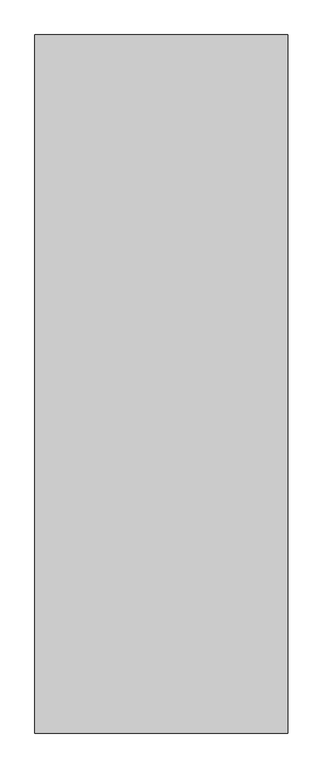
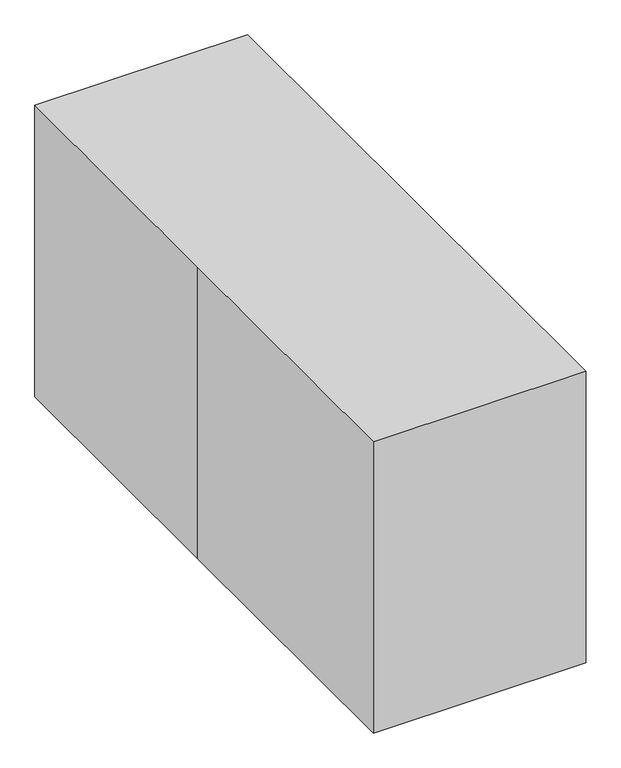
"""IFC4 building model written with IfcOpenShell, lengths in millimetres: proxy geometry."""

from ifc_helpers import new_model, si_unit, point, frame, frame_2d, origin, origin_with_axes, place, context, project, spatial, polyline, circle_curve, trimmed, segment, composite_curve, outline, extrude, faceted_brep, source, transform, mapped, element, save


def specialty_equipment_150e2ad8(model_context):
    return source(origin(), model_context, "Body", "SolidModel", [
        extrude(outline(polyline([(-330.2, -479.9831153), (-330.2, 123.2668847), (-304.8, 123.2668847), (-304.8, -479.9831153), (-330.2, -479.9831153)])), frame((0.0, 0.0, 242.5567819), z_axis=(0.0, 0.0, 1.0), x_axis=(1.0, 0.0, 0.0)), (0.0, 0.0, 1.0), 116.4234291),
        extrude(outline(polyline([(-330.2, -479.9831153), (-330.2, 123.2668847), (-304.8, 123.2668847), (-304.8, -479.9831153), (-330.2, -479.9831153)])), frame((0.0, 0.0, 378.4300401), z_axis=(0.0, 0.0, 1.0), x_axis=(1.0, 0.0, 0.0)), (0.0, 0.0, 1.0), 116.4234291),
        extrude(outline(composite_curve([segment(polyline([(28.2957277, -17.3481149), (94.0039307, -301.9616109), (94.0039307, -448.0116108), (68.6039307, -448.0116108), (68.6039307, -314.6616109), (-29.8556366, -42.5529378)]), True, "CONTINUOUS"), segment(trimmed(circle_curve(frame_2d((0.0, -31.75)), 31.75), [point((-29.8556366, -42.5529378))], [point((28.2957277, -17.3481149))], False, "CARTESIAN"), True, "CONTINUOUS")], self_intersect=False)), frame((-304.5217877, 288.8883644, 590.622225), z_axis=(-0.9999995325093792, 0.0009669441674130507, 0.0), x_axis=(0.0, 0.0, 1.0)), (0.0, 0.0, 1.0), 50.8),
        extrude(outline(composite_curve([segment(polyline([(0.0, 0.0), (292.0999999, 0.0), (434.406748, -32.8541015), (428.6929912, -57.6031011), (298.760743, -27.605878), (11.4776141, -62.3308001)]), True, "CONTINUOUS"), segment(trimmed(circle_curve(frame_2d((7.6676119, -30.8102293)), 31.75), [point((11.4776141, -62.3308001))], [point((0.0, 0.0))], False, "CARTESIAN"), True, "CONTINUOUS")], self_intersect=False)), frame((355.8611289, 270.9016876, 618.9179527), z_axis=(-0.9999995325093792, 0.0009669441674130508, 0.0), x_axis=(-0.000942161451045959, -0.9743696092763681, 0.22495105434386833)), (0.0, 0.0, 1.0), 50.8),
        extrude(outline(composite_curve([segment(trimmed(circle_curve(frame_2d((-888.2544526, 298.45)), 12.7), [point((-888.2544526, 285.75))], [point((-900.9544526, 298.45))], False, "CARTESIAN"), True, "CONTINUOUS"), segment(polyline([(-900.9544526, 298.45), (-900.9544526, 323.85)]), True, "CONTINUOUS"), segment(trimmed(circle_curve(frame_2d((-888.2544526, 323.85)), 12.7), [point((-900.9544526, 323.85))], [point((-888.2544526, 336.55))], False, "CARTESIAN"), True, "CONTINUOUS"), segment(polyline([(-888.2544526, 336.55), (-648.107082, 336.55)]), True, "CONTINUOUS"), segment(trimmed(circle_curve(frame_2d((-648.107082, 323.85)), 12.7), [point((-648.107082, 336.55))], [point((-635.407082, 323.85))], False, "CARTESIAN"), True, "CONTINUOUS"), segment(polyline([(-635.407082, 323.85), (-635.407082, 298.45)]), True, "CONTINUOUS"), segment(trimmed(circle_curve(frame_2d((-648.107082, 298.45)), 12.7), [point((-635.407082, 298.45))], [point((-648.107082, 285.75))], False, "CARTESIAN"), True, "CONTINUOUS"), segment(polyline([(-648.107082, 285.75), (-888.2544526, 285.75)]), True, "CONTINUOUS")], self_intersect=False)), frame((-323.85, 0.0, 0.0), z_axis=(1.0, 0.0, 0.0), x_axis=(0.0, 1.0, 0.0)), (0.0, 0.0, 1.0), 647.7),
        extrude(outline(polyline([(-355.6, -495.707082), (-304.8, -495.707082), (-304.8, -533.807082), (-323.85, -533.807082), (-323.85, -648.107082), (323.85, -648.107082), (323.85, -533.807082), (304.8, -533.807082), (304.8, -495.707082), (355.6, -495.707082), (355.6, -648.107082), (355.6, -889.0), (-355.6, -889.0), (-355.6, -648.107082), (-355.6, -495.707082)])), frame((0.0, 0.0, 260.35), z_axis=(0.0, 0.0, 1.0), x_axis=(1.0, 0.0, 0.0)), (0.0, 0.0, 1.0), 25.4),
        extrude(outline(polyline([(30.5863323, 259.8183384), (24.2363323, 259.8183384), (14.2736326, 309.6318368), (20.6236326, 309.6318368), (30.5863323, 259.8183384)])), frame((0.0, -191.0688357, 0.0), z_axis=(0.0, 1.0, 0.0), x_axis=(0.0, 0.0, 1.0)), (0.0, 0.0, 1.0), 36.3232839),
        extrude(outline(polyline([(30.5863323, 259.8183384), (24.2363323, 259.8183384), (14.2736326, 309.6318368), (20.6236326, 309.6318368), (30.5863323, 259.8183384)])), frame((0.0, -252.4686123, 0.0), z_axis=(0.0, 1.0, 0.0), x_axis=(0.0, 0.0, 1.0)), (0.0, 0.0, 1.0), 36.3232839),
        faceted_brep([(317.5, -267.107082, 0.0), (317.5, -267.107082, 12.7), (254.0, -267.107082, 25.4), (254.0, -267.107082, 0.0), (317.5, -140.107082, 12.7), (317.5, -140.107082, 0.0), (254.0, -140.107082, 0.0), (254.0, -140.107082, 25.4), (254.0, -495.707082, 0.0), (-254.0, -495.707082, 0.0), (-254.0, 139.292918, 0.0), (254.0, 139.292918, 0.0), (-254.0, -495.707082, 524.4724835), (254.0, -495.707082, 524.4724835), (254.0, 139.292918, 524.4724835), (-254.0, 139.292918, 524.4724835)], [[[0, 1, 2, 3]], [[4, 5, 6, 7]], [[1, 0, 5, 4]], [[1, 4, 7, 2]], [[5, 0, 3, 8, 9, 10, 11, 6]], [[12, 13, 14, 15]], [[13, 12, 9, 8]], [[14, 13, 8, 3, 2, 7, 6, 11]], [[15, 14, 11, 10]], [[12, 15, 10, 9]]]),
        extrude(outline(polyline([(304.8, -495.707082), (304.8, -533.807082), (-304.8, -533.807082), (-304.8, -495.707082), (304.8, -495.707082)])), frame((0.0, 0.0, 58.8983601), z_axis=(0.0, 0.0, 1.0), x_axis=(1.0, 0.0, 0.0)), (0.0, 0.0, 1.0), 446.5241234),
        extrude(outline(composite_curve([segment(polyline([(-584.607082, 60.9224835), (-584.607082, 505.4224835)]), True, "CONTINUOUS"), segment(trimmed(circle_curve(frame_2d((-571.907082, 505.4224835)), 12.7), [point((-584.607082, 505.4224835))], [point((-571.907082, 518.1224835))], False, "CARTESIAN"), True, "CONTINUOUS"), segment(polyline([(-571.907082, 518.1224835), (-546.507082, 518.1224835)]), True, "CONTINUOUS"), segment(trimmed(circle_curve(frame_2d((-546.507082, 505.4224835)), 12.7), [point((-546.507082, 518.1224835))], [point((-533.807082, 505.4224835))], False, "CARTESIAN"), True, "CONTINUOUS"), segment(polyline([(-533.807082, 505.4224835), (-533.807082, 60.9224835)]), True, "CONTINUOUS"), segment(trimmed(circle_curve(frame_2d((-546.507082, 60.9224835)), 12.7), [point((-533.807082, 60.9224835))], [point((-546.507082, 48.2224835))], False, "CARTESIAN"), True, "CONTINUOUS"), segment(polyline([(-546.507082, 48.2224835), (-571.907082, 48.2224835)]), True, "CONTINUOUS"), segment(trimmed(circle_curve(frame_2d((-571.907082, 60.9224835)), 12.7), [point((-571.907082, 48.2224835))], [point((-584.607082, 60.9224835))], False, "CARTESIAN"), True, "CONTINUOUS")], self_intersect=False)), frame((-304.8, 0.0, 0.0), z_axis=(1.0, 0.0, 0.0), x_axis=(0.0, 1.0, 0.0)), (0.0, 0.0, 1.0), 609.6),
        extrude(outline(polyline([(304.8, 666.342918), (304.8, -521.107082), (-304.8, -521.107082), (-304.8, 666.342918), (304.8, 666.342918)])), frame((0.0, 0.0, 524.4724835), z_axis=(0.0, 0.0, 1.0), x_axis=(1.0, 0.0, 0.0)), (0.0, 0.0, 1.0), 38.1),
        extrude(outline(composite_curve([segment(polyline([(-520.7, 613.3724835), (663.6295241, 613.3724835)]), True, "CONTINUOUS"), segment(trimmed(circle_curve(frame_2d((663.6295241, 600.6724835)), 12.7), [point((663.6295241, 613.3724835))], [point((676.3295241, 600.6724835))], False, "CARTESIAN"), True, "CONTINUOUS"), segment(polyline([(676.3295241, 600.6724835), (676.3295241, 575.2724835)]), True, "CONTINUOUS"), segment(trimmed(circle_curve(frame_2d((663.6295241, 575.2724835)), 12.7), [point((676.3295241, 575.2724835))], [point((663.6295241, 562.5724835))], False, "CARTESIAN"), True, "CONTINUOUS"), segment(polyline([(663.6295241, 562.5724835), (-520.7, 562.5724835)]), True, "CONTINUOUS"), segment(trimmed(circle_curve(frame_2d((-520.7, 575.2724835)), 12.7), [point((-520.7, 562.5724835))], [point((-533.4, 575.2724835))], False, "CARTESIAN"), True, "CONTINUOUS"), segment(polyline([(-533.4, 575.2724835), (-533.4, 600.6724835)]), True, "CONTINUOUS"), segment(trimmed(circle_curve(frame_2d((-520.7, 600.6724835)), 12.7), [point((-533.4, 600.6724835))], [point((-520.7, 613.3724835))], False, "CARTESIAN"), True, "CONTINUOUS")], self_intersect=False)), frame((-304.8, 0.0, 0.0), z_axis=(1.0, 0.0, 0.0), x_axis=(0.0, 1.0, 0.0)), (0.0, 0.0, 1.0), 609.6),
        extrude(outline(polyline([(-368.3, -1016.0), (-368.3, 38.1), (-368.3, 1016.0), (368.3, 1016.0), (368.3, -1016.0), (-368.3, -1016.0)])), origin_with_axes(), (0.0, 0.0, 1.0), 1066.8),
    ])


if __name__ == "__main__":
    model = new_model("IFC4")
    model_context = context("Model", 3, world=origin())
    ifc_project = project(units=[si_unit("LENGTHUNIT", "METRE", prefix="MILLI")], contexts=[model_context])
    site = spatial("IfcSite", under=ifc_project)
    building = spatial("IfcBuilding", under=site)
    placement = place(None, origin())
    specialty_equipment_shape = specialty_equipment_150e2ad8(model_context)
    element("IfcBuildingElementProxy", 1, Name="Specialty Equipment", at=placement, inside=building, context=model_context, shape_type="MappedRepresentation", body=[
        mapped(specialty_equipment_shape, transform((0.0, 0.0, 0.0), x_axis=(1.0, 0.0, 0.0), y_axis=(0.0, 1.0, 0.0), z_axis=(0.0, 0.0, 1.0))),
    ])
    save(model, "model.ifc")
